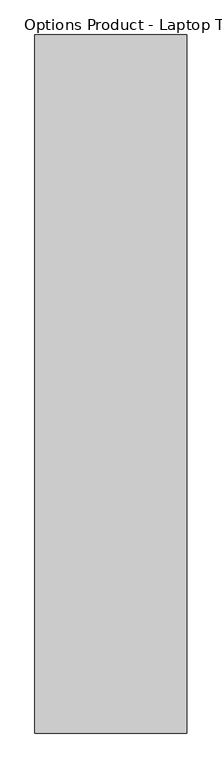
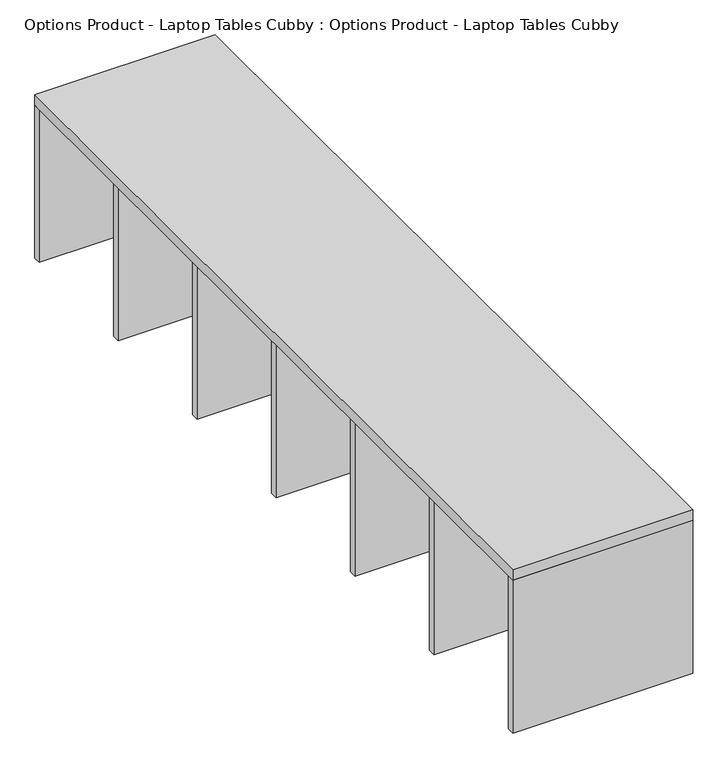
"""IFC4 building model written with IfcOpenShell, lengths in millimetres: furniture geometry, Options Product - Laptop Tables Cubby : Options Product - Laptop Tables Cubby."""

from ifc_helpers import new_model, si_unit, frame, origin, origin_with_axes, place, context, project, spatial, polyline, outline, extrude, source, transform, mapped, element, save


def options_product_laptop_tables_cubby_options_product_laptop_8cd493b4(model_context):
    return source(origin(), model_context, "Body", "SweptSolid", [
        extrude(outline(polyline([(6884.0673386, 4796.6122498), (7505.8593386, 4796.6122498), (7505.8593386, 1940.6362498), (6884.0673386, 1940.6362498), (6884.0673386, 4796.6122498)])), frame((0.0, 0.0, 557.784), z_axis=(0.0, 0.0, 1.0), x_axis=(1.0, 0.0, 0.0)), (0.0, 0.0, 1.0), 38.1),
        extrude(outline(polyline([(6884.0673386, 4796.6122498), (7505.8593386, 4796.6122498), (7505.8593386, 4771.2232452), (6884.0673386, 4771.2232452), (6884.0673386, 4796.6122498)])), origin_with_axes(), (0.0, 0.0, 1.0), 557.784),
        extrude(outline(polyline([(6884.0673386, 1966.0252543), (7505.8593386, 1966.0252543), (7505.8593386, 1940.6362498), (6884.0673386, 1940.6362498), (6884.0673386, 1966.0252543)])), origin_with_axes(), (0.0, 0.0, 1.0), 557.784),
        extrude(outline(polyline([(6884.0673386, 3381.3187521), (7505.8593386, 3381.3187521), (7505.8593386, 3355.9077519), (6884.0673386, 3355.9297475), (6884.0673386, 3381.3187521)])), origin_with_axes(), (0.0, 0.0, 1.0), 557.784),
        extrude(outline(polyline([(6884.0673386, 2437.9572543), (7505.8593386, 2437.9572543), (7505.8593386, 2412.5682498), (6884.0673386, 2412.5682498), (6884.0673386, 2437.9572543)])), origin_with_axes(), (0.0, 0.0, 1.0), 557.784),
        extrude(outline(polyline([(6884.0673386, 2909.8892543), (7505.8593386, 2909.8892543), (7505.8593386, 2884.4782541), (6884.0673386, 2884.5002498), (6884.0673386, 2909.8892543)])), origin_with_axes(), (0.0, 0.0, 1.0), 557.784),
        extrude(outline(polyline([(6884.0673386, 3853.2507521), (7505.8593386, 3853.2507521), (7505.8593386, 3827.8617475), (6884.0673386, 3827.8617475), (6884.0673386, 3853.2507521)])), origin_with_axes(), (0.0, 0.0, 1.0), 557.784),
        extrude(outline(polyline([(6884.0673386, 4325.1827521), (7505.8593386, 4325.1827521), (7505.8593386, 4299.7937475), (6884.0673386, 4299.7937475), (6884.0673386, 4325.1827521)])), origin_with_axes(), (0.0, 0.0, 1.0), 557.784),
    ])


if __name__ == "__main__":
    model = new_model("IFC4")
    model_context = context("Model", 3, world=origin())
    ifc_project = project(units=[si_unit("LENGTHUNIT", "METRE", prefix="MILLI")], contexts=[model_context])
    site = spatial("IfcSite", under=ifc_project)
    building = spatial("IfcBuilding", under=site)
    placement = place(None, origin())
    options_product_laptop_tables_cubby_options_product_laptop_shape = options_product_laptop_tables_cubby_options_product_laptop_8cd493b4(model_context)
    element("IfcFurniture", 1, ObjectType="Options Product - Laptop Tables Cubby : Options Product - Laptop Tables Cubby", at=placement, inside=building, context=model_context, shape_type="MappedRepresentation", body=[
        mapped(options_product_laptop_tables_cubby_options_product_laptop_shape, transform((0.0, 0.0, 0.0), x_axis=(1.0, 0.0, 0.0), y_axis=(0.0, 1.0, 0.0), z_axis=(0.0, 0.0, 1.0))),
    ])
    save(model, "model.ifc")
